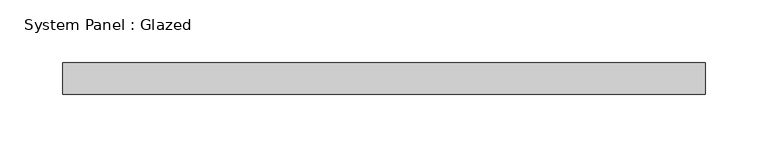
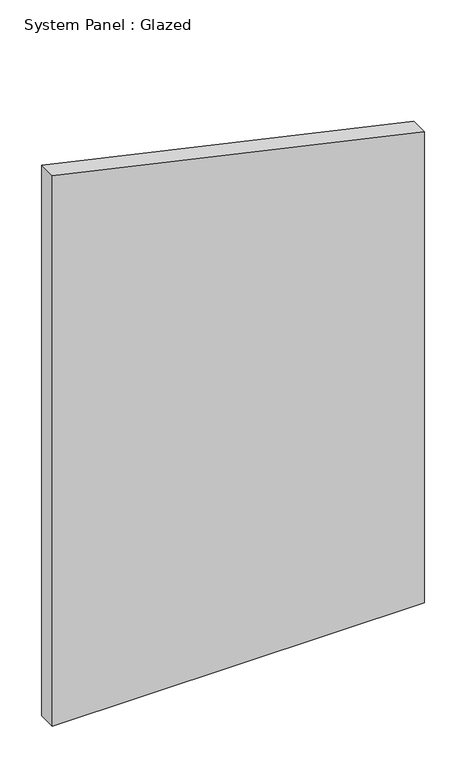
"""IFC4 building model written with IfcOpenShell, lengths in millimetres: plate geometry, System Panel : Glazed."""

import ifcopenshell
import ifcopenshell.guid

model = None  # the IFC model being written
_history = None  # IfcOwnerHistory: only IFC2X3 demands one
_inside = {}  # id of a spatial element -> (the spatial element, [elements in it])
_under = {}  # id of a project, library or spatial element -> (it, [spatial elements below it])
_declared = {}  # id of a project -> (the project, [libraries it declares])
_typed = {}  # id of a type object -> (the type object, [elements of that type])
_made_of = {}  # id of a material, layer set ... -> (it, [elements and type objects made of it])


def new_model(schema):
    """Start an empty IFC model of exactly this schema.

    Asked for "IFC4X3", IfcOpenShell would pick the latest addendum, in which some entities
    have other attributes; the version numbers below select the first issue.
    IFC2X3 requires an IfcOwnerHistory on every rooted entity: one is made here for all.
    """
    global model, _history
    if schema == "IFC4X3":
        model = ifcopenshell.file(schema_version=(4, 3, 0, 0))
    else:
        model = ifcopenshell.file(schema=schema)
    _inside.clear()
    _under.clear()
    _declared.clear()
    _typed.clear()
    _made_of.clear()
    _history = None
    if model.schema == "IFC2X3":
        org = make("IfcOrganization", Name="unknown")
        user = make(
            "IfcPersonAndOrganization",
            ThePerson=make("IfcPerson", FamilyName="unknown"),
            TheOrganization=org,
        )
        app = make(
            "IfcApplication",
            ApplicationDeveloper=org,
            Version="unknown",
            ApplicationFullName="unknown",
            ApplicationIdentifier="unknown",
        )
        _history = make(
            "IfcOwnerHistory",
            OwningUser=user,
            OwningApplication=app,
            ChangeAction="ADDED",
            CreationDate=0,
        )
    return model


def make(cls, **values):
    """One entity of the class cls with the attributes given. An attribute that is None is left unset."""
    return model.create_entity(
        cls, **{name: value for name, value in values.items() if value is not None}
    )


def rooted(cls, **values):
    """An entity with a GlobalId (a new one), such as an element, a storey or a relation."""
    return make(cls, GlobalId=ifcopenshell.guid.new(), OwnerHistory=_history, **values)


def si_unit(unit_type, name, prefix=None):
    """IfcSIUnit, for example si_unit("LENGTHUNIT", "METRE", prefix="MILLI")."""
    return make("IfcSIUnit", UnitType=unit_type, Prefix=prefix, Name=name)


def assignment(units):
    """IfcUnitAssignment: the units of a project."""
    return None if units is None else make("IfcUnitAssignment", Units=units)


def point(xyz):
    """IfcCartesianPoint."""
    return None if xyz is None else make("IfcCartesianPoint", Coordinates=xyz)


def direction(xyz):
    """IfcDirection."""
    return None if xyz is None else make("IfcDirection", DirectionRatios=xyz)


def frame(location, z_axis=None, x_axis=None):
    """IfcAxis2Placement3D, a coordinate frame: its origin and axes. An axis left out is left unset."""
    return make(
        "IfcAxis2Placement3D",
        Location=point(location),
        Axis=direction(z_axis),
        RefDirection=direction(x_axis),
    )


def origin():
    """The frame at (0, 0, 0) with its axes left unset."""
    return frame((0.0, 0.0, 0.0))


def place(relative_to, where):
    """IfcLocalPlacement: puts the frame where relative to a parent placement (None: the world)."""
    return make(
        "IfcLocalPlacement", PlacementRelTo=relative_to, RelativePlacement=where
    )


def context(
    kind, dimensions, precision=None, world=None, true_north=None, identifier=None
):
    """IfcGeometricRepresentationContext, for example the 3D "Model" context."""
    return make(
        "IfcGeometricRepresentationContext",
        ContextIdentifier=identifier,
        ContextType=kind,
        CoordinateSpaceDimension=dimensions,
        Precision=precision,
        WorldCoordinateSystem=world,
        TrueNorth=true_north,
    )


def project(units=None, contexts=None):
    """IfcProject with its units and contexts."""
    return rooted(
        "IfcProject",
        Name="project",
        RepresentationContexts=contexts,
        UnitsInContext=assignment(units),
    )


def spatial(cls, under=None, at=None, **own):
    """A site, building, storey or space (cls), placed at a placement, below another one or the project."""
    s = rooted(cls, ObjectPlacement=at, **own)
    if under is not None:
        _under.setdefault(under.id(), (under, []))[1].append(s)
    return s


def polyline(points):
    """IfcPolyline through the points."""
    return make("IfcPolyline", Points=[point(p) for p in points])


def outline(outer, holes=None, kind="AREA"):
    """IfcArbitraryClosedProfileDef: a profile drawn as a closed curve; with holes, ...WithVoids."""
    if holes is None:
        return make("IfcArbitraryClosedProfileDef", ProfileType=kind, OuterCurve=outer)
    return make(
        "IfcArbitraryProfileDefWithVoids",
        ProfileType=kind,
        OuterCurve=outer,
        InnerCurves=holes,
    )


def extrude(swept, where, along, depth):
    """IfcExtrudedAreaSolid: the profile swept, set in the frame where, extruded along a direction by depth."""
    return make(
        "IfcExtrudedAreaSolid",
        SweptArea=swept,
        Position=where,
        ExtrudedDirection=direction(along),
        Depth=depth,
    )


def shape(context_of_items, identifier, shape_type, items):
    """IfcShapeRepresentation: the items that make up one representation, for example the "Body"."""
    return make(
        "IfcShapeRepresentation",
        ContextOfItems=context_of_items,
        RepresentationIdentifier=identifier,
        RepresentationType=shape_type,
        Items=items,
    )


def source(mapping_origin, context_of_items, identifier, shape_type, items):
    """IfcRepresentationMap: a shape defined once, which mapped items show again and again."""
    return make(
        "IfcRepresentationMap",
        MappingOrigin=mapping_origin,
        MappedRepresentation=shape(context_of_items, identifier, shape_type, items),
    )


def transform(
    local_origin,
    x_axis=None,
    y_axis=None,
    z_axis=None,
    scale=None,
    scale2=None,
    scale3=None,
    uniform=True,
):
    """IfcCartesianTransformationOperator3D, or its non-uniform kind. x_axis, y_axis, z_axis: its Axis1, 2, 3."""
    if uniform:
        return make(
            "IfcCartesianTransformationOperator3D",
            Axis1=direction(x_axis),
            Axis2=direction(y_axis),
            LocalOrigin=point(local_origin),
            Scale=scale,
            Axis3=direction(z_axis),
        )
    return make(
        "IfcCartesianTransformationOperator3DnonUniform",
        Axis1=direction(x_axis),
        Axis2=direction(y_axis),
        LocalOrigin=point(local_origin),
        Scale=scale,
        Axis3=direction(z_axis),
        Scale2=scale2,
        Scale3=scale3,
    )


def mapped(mapping_source, mapping_target):
    """IfcMappedItem: shows the shape of a source again, moved by a transform."""
    return make(
        "IfcMappedItem", MappingSource=mapping_source, MappingTarget=mapping_target
    )


def made_of(thing, what):
    """Note that an element or type object is made of a material, layer set ...; save() writes the relation."""
    if what is not None:
        _made_of.setdefault(what.id(), (what, []))[1].append(thing)
    return thing


def element(
    cls,
    number,
    at=None,
    inside=None,
    cuts=None,
    type_object=None,
    material=None,
    context=None,
    identifier="Body",
    shape_type=None,
    held_by="IfcProductDefinitionShape",
    body=None,
    shapes=None,
    **own,
):
    """One element of the class cls, such as IfcWall. Its Tag is "e" and its number.

    at: its placement. inside: the storey or other place that contains it. cuts: it is an
    opening in that element (IfcRelVoidsElement). A single representation is given by context,
    identifier, shape_type and body (its items); several are given by shapes. held_by: the class
    of the entity that holds the representations. save() writes the other relations.
    """
    e = rooted(cls, Tag="e%d" % number, ObjectPlacement=at, **own)
    if body is not None:
        shapes = [shape(context, identifier, shape_type, body)]
    if shapes is not None:
        e.Representation = make(held_by, Representations=shapes)
    if inside is not None:
        _inside.setdefault(inside.id(), (inside, []))[1].append(e)
    if cuts is not None:
        rooted(
            "IfcRelVoidsElement", RelatingBuildingElement=cuts, RelatedOpeningElement=e
        )
    if type_object is not None:
        _typed.setdefault(type_object.id(), (type_object, []))[1].append(e)
    return made_of(e, material)


def aggregate(whole, parts):
    """IfcRelAggregates: a whole, such as a stair, and the parts it consists of."""
    return rooted("IfcRelAggregates", RelatingObject=whole, RelatedObjects=parts)


def save(model, path):
    """Write the relations noted so far, then the file.

    IfcRelAggregates (storeys below a building ...), IfcRelContainedInSpatialStructure (elements
    in a storey), IfcRelDefinesByType, IfcRelAssociatesMaterial and IfcRelDeclares: one each for
    every whole, place, type object, material and project.
    """
    for whole, parts in _under.values():
        aggregate(whole, parts)
    for where, things in _inside.values():
        rooted(
            "IfcRelContainedInSpatialStructure",
            RelatedElements=things,
            RelatingStructure=where,
        )
    for kind, things in _typed.values():
        rooted("IfcRelDefinesByType", RelatedObjects=things, RelatingType=kind)
    for what, things in _made_of.values():
        rooted("IfcRelAssociatesMaterial", RelatedObjects=things, RelatingMaterial=what)
    for by, libraries in _declared.values():
        rooted("IfcRelDeclares", RelatingContext=by, RelatedDefinitions=libraries)
    model.write(path)


def system_panel_glazed_5ddb9191(model_context):
    return source(origin(), model_context, "Body", "SweptSolid", [
        extrude(outline(polyline([(0.0, -257.1750002), (0.0, 257.1750002), (688.4328498, 257.1750002), (804.3765725, -257.1750002), (0.0, -257.1750002)])), frame((0.0, 19.05, 0.0), z_axis=(0.0, 1.0, 0.0), x_axis=(0.0, 0.0, 1.0)), (0.0, 0.0, 1.0), 25.4),
    ])


if __name__ == "__main__":
    model = new_model("IFC4")
    model_context = context("Model", 3, world=origin())
    ifc_project = project(units=[si_unit("LENGTHUNIT", "METRE", prefix="MILLI")], contexts=[model_context])
    site = spatial("IfcSite", under=ifc_project)
    building = spatial("IfcBuilding", under=site)
    placement = place(None, origin())
    system_panel_glazed_shape = system_panel_glazed_5ddb9191(model_context)
    element("IfcPlate", 1, ObjectType="System Panel : Glazed", at=placement, inside=building, context=model_context, shape_type="MappedRepresentation", body=[
        mapped(system_panel_glazed_shape, transform((0.0, 0.0, 0.0), x_axis=(1.0, 0.0, 0.0), y_axis=(0.0, 1.0, 0.0), z_axis=(0.0, 0.0, 1.0))),
    ])
    save(model, "model.ifc")
